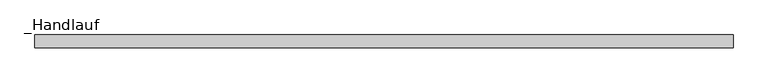
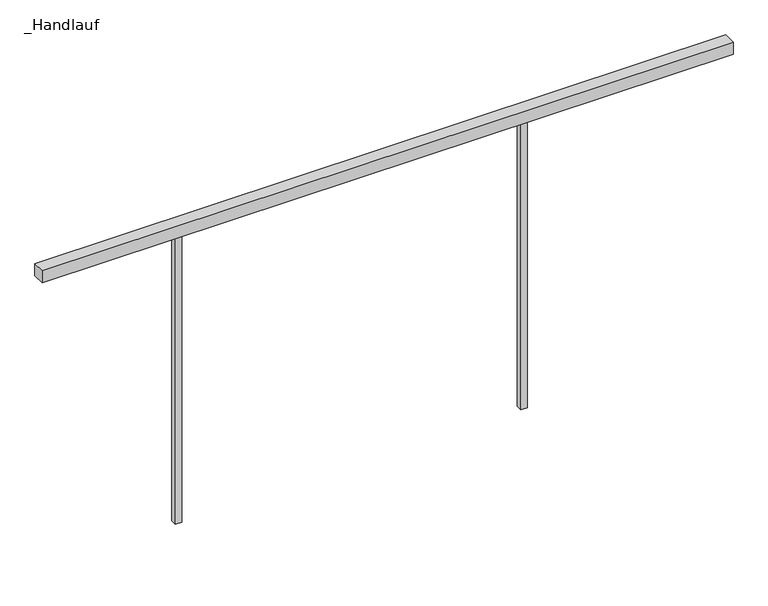
"""IFC4 building model written with IfcOpenShell, lengths in millimetres: railing geometry, _Handlauf."""

from ifc_helpers import new_model, si_unit, frame, origin, place, context, project, spatial, polyline, outline, extrude, source, transform, mapped, element, save


def handlauf_48d86226(model_context):
    return source(origin(), model_context, "Body", "SweptSolid", [
        extrude(outline(polyline([(8940.0, 2300.0), (8940.0, 2260.0), (6760.0, 2260.0), (6760.0, 2300.0), (8940.0, 2300.0)])), frame((0.0, 0.0, 7960.0), z_axis=(0.0, 0.0, 1.0), x_axis=(1.0, 0.0, 0.0)), (0.0, 0.0, 1.0), 40.0),
        extrude(outline(polyline([(7206.0, 2290.0), (7206.0, 2270.0), (7186.0, 2270.0), (7186.0, 2290.0), (7206.0, 2290.0)])), frame((0.0, 0.0, 7000.0), z_axis=(0.0, 0.0, 1.0), x_axis=(1.0, 0.0, 0.0)), (0.0, 0.0, 1.0), 960.0),
        extrude(outline(polyline([(8296.0, 2290.0), (8296.0, 2270.0), (8276.0, 2270.0), (8276.0, 2290.0), (8296.0, 2290.0)])), frame((0.0, 0.0, 7000.0), z_axis=(0.0, 0.0, 1.0), x_axis=(1.0, 0.0, 0.0)), (0.0, 0.0, 1.0), 960.0),
    ])


if __name__ == "__main__":
    model = new_model("IFC4")
    model_context = context("Model", 3, world=origin())
    ifc_project = project(units=[si_unit("LENGTHUNIT", "METRE", prefix="MILLI")], contexts=[model_context])
    site = spatial("IfcSite", under=ifc_project)
    building = spatial("IfcBuilding", under=site)
    placement = place(None, origin())
    handlauf_shape = handlauf_48d86226(model_context)
    element("IfcRailing", 1, ObjectType="_Handlauf", at=placement, inside=building, context=model_context, shape_type="MappedRepresentation", body=[
        mapped(handlauf_shape, transform((0.0, 0.0, 0.0), x_axis=(1.0, 0.0, 0.0), y_axis=(0.0, 1.0, 0.0), z_axis=(0.0, 0.0, 1.0))),
    ])
    save(model, "model.ifc")
